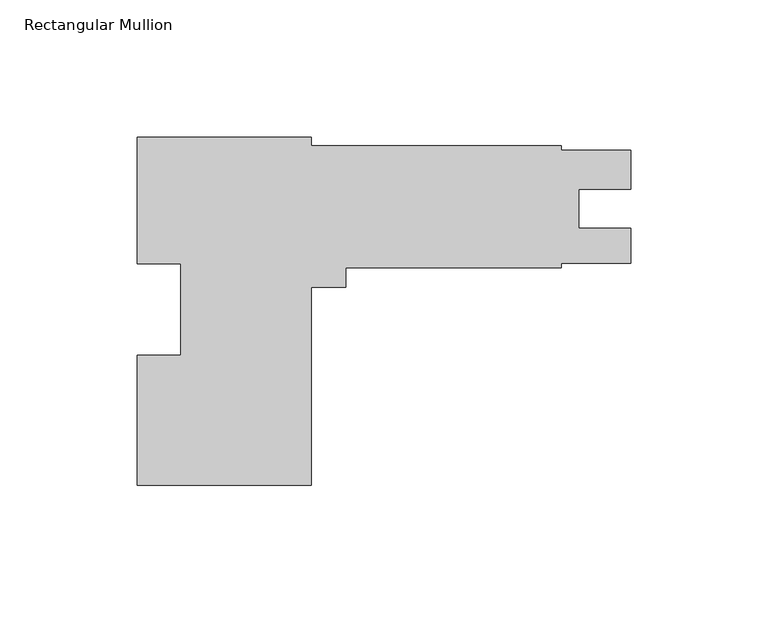
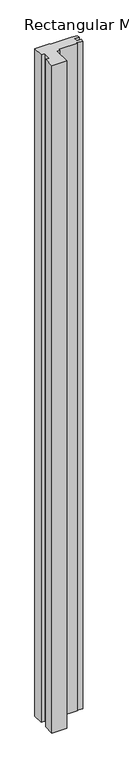
"""IFC4 building model written with IfcOpenShell, lengths in millimetres: member geometry, Rectangular Mullion."""

from ifc_helpers import new_model, si_unit, frame, origin, place, context, project, spatial, polyline, outline, extrude, source, transform, mapped, element, save


def rectangular_mullion_01e83366(model_context):
    return source(origin(), model_context, "Body", "SweptSolid", [
        extrude(outline(polyline([(-180.18125, -63.4111), (-180.18125, -15.9570314), (-164.30625, -15.9570314), (-164.30625, 17.40599), (-180.18125, 17.40599), (-180.18125, 63.5889), (-116.68125, 63.5889), (-116.68125, 60.4139), (-25.4, 60.4139), (-25.4, 58.8263837), (0.0, 58.8263837), (0.0, 44.5643), (-19.0372991, 44.5643), (-19.0372991, 30.2768), (0.0, 30.2768), (0.0, 17.5641), (-25.4, 17.5641), (-25.4, 15.9639), (-103.98125, 15.9639), (-103.98125, 8.801227), (-116.68125, 8.801227), (-116.68125, -63.4111), (-180.18125, -63.4111)])), frame((0.0, 0.0, -3048.0), z_axis=(0.0, 0.0, 1.0), x_axis=(1.0, 0.0, 0.0)), (0.0, 0.0, 1.0), 3048.0),
    ])


if __name__ == "__main__":
    model = new_model("IFC4")
    model_context = context("Model", 3, world=origin())
    ifc_project = project(units=[si_unit("LENGTHUNIT", "METRE", prefix="MILLI")], contexts=[model_context])
    site = spatial("IfcSite", under=ifc_project)
    building = spatial("IfcBuilding", under=site)
    placement = place(None, origin())
    rectangular_mullion_shape = rectangular_mullion_01e83366(model_context)
    element("IfcMember", 1, ObjectType="Rectangular Mullion", at=placement, inside=building, context=model_context, shape_type="MappedRepresentation", body=[
        mapped(rectangular_mullion_shape, transform((0.0, 0.0, 0.0), x_axis=(1.0, 0.0, 0.0), y_axis=(0.0, 1.0, 0.0), z_axis=(0.0, 0.0, 1.0))),
    ])
    save(model, "model.ifc")
